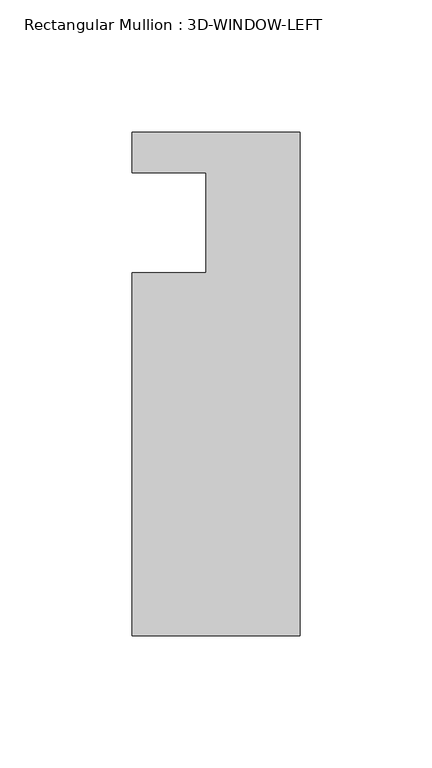
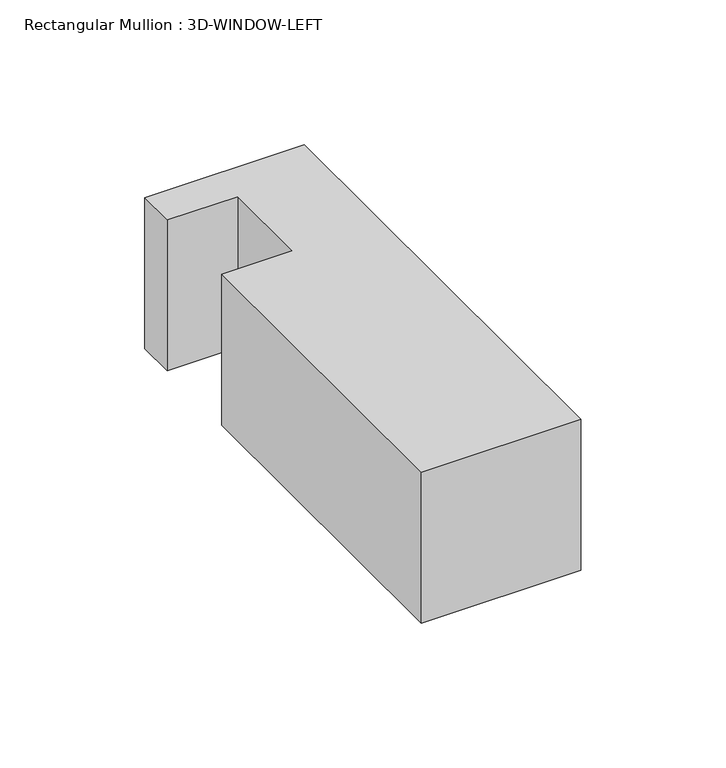
"""IFC4 building model written with IfcOpenShell, lengths in millimetres: member geometry, Rectangular Mullion : 3D-WINDOW-LEFT."""

from ifc_helpers import new_model, si_unit, frame, origin, place, context, project, spatial, polyline, outline, extrude, source, transform, mapped, element, save


def rectangular_mullion_3d_window_left_2f3c593a(model_context):
    return source(origin(), model_context, "Body", "SweptSolid", [
        extrude(outline(polyline([(-31.75, -93.2656225), (-31.75, 44.1483725), (-3.6624033, 44.1483725), (-3.6624033, 81.8673727), (-31.75, 81.8673727), (-31.75, 97.2343725), (31.75, 97.2343725), (31.75, -93.2656225), (-31.75, -93.2656225)])), frame((0.0, 0.0, -63.5), z_axis=(0.0, 0.0, 1.0), x_axis=(1.0, 0.0, 0.0)), (0.0, 0.0, 1.0), 63.5),
    ])


if __name__ == "__main__":
    model = new_model("IFC4")
    model_context = context("Model", 3, world=origin())
    ifc_project = project(units=[si_unit("LENGTHUNIT", "METRE", prefix="MILLI")], contexts=[model_context])
    site = spatial("IfcSite", under=ifc_project)
    building = spatial("IfcBuilding", under=site)
    placement = place(None, origin())
    rectangular_mullion_3d_window_left_shape = rectangular_mullion_3d_window_left_2f3c593a(model_context)
    element("IfcMember", 1, ObjectType="Rectangular Mullion : 3D-WINDOW-LEFT", at=placement, inside=building, context=model_context, shape_type="MappedRepresentation", body=[
        mapped(rectangular_mullion_3d_window_left_shape, transform((0.0, 0.0, 0.0), x_axis=(1.0, 0.0, 0.0), y_axis=(0.0, 1.0, 0.0), z_axis=(0.0, 0.0, 1.0))),
    ])
    save(model, "model.ifc")
